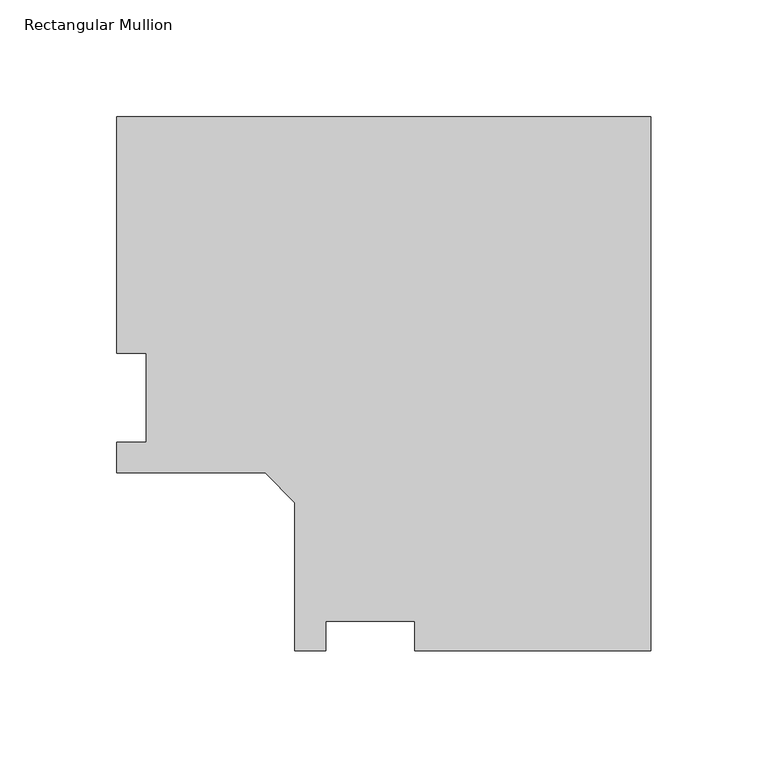
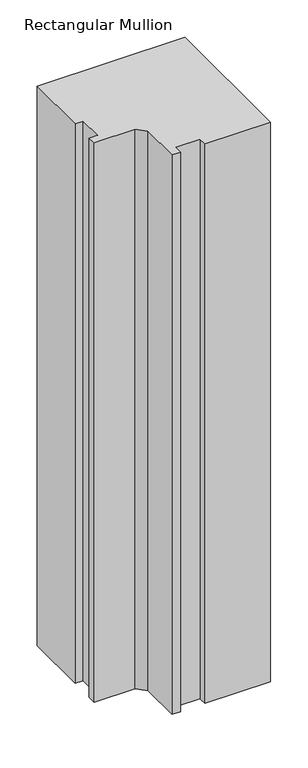
"""IFC4 building model written with IfcOpenShell, lengths in millimetres: member geometry, Rectangular Mullion."""

from ifc_helpers import new_model, si_unit, frame, origin, place, context, project, spatial, polyline, outline, extrude, source, transform, mapped, element, save


def rectangular_mullion_23215b9b(model_context):
    return source(origin(), model_context, "Body", "SweptSolid", [
        extrude(outline(polyline([(-228.6762, 152.4896938), (0.0, 152.4896937), (0.0, -76.1865062), (-101.1936, -76.1865062), (-101.1936, -63.4865063), (-139.2936, -63.4865063), (-139.2936, -76.1865062), (-152.4762, -76.1865062), (-152.4762, -12.6865062), (-165.1762, 0.0134938), (-228.6762, 0.0134938), (-228.6762, 13.1960938), (-215.9762, 13.1960938), (-215.9762, 51.2960937), (-228.6762, 51.2960937), (-228.6762, 152.4896938)])), frame((0.0, 0.0, -914.4), z_axis=(0.0, 0.0, 1.0), x_axis=(1.0, 0.0, 0.0)), (0.0, 0.0, 1.0), 914.4),
    ])


if __name__ == "__main__":
    model = new_model("IFC4")
    model_context = context("Model", 3, world=origin())
    ifc_project = project(units=[si_unit("LENGTHUNIT", "METRE", prefix="MILLI")], contexts=[model_context])
    site = spatial("IfcSite", under=ifc_project)
    building = spatial("IfcBuilding", under=site)
    placement = place(None, origin())
    rectangular_mullion_shape = rectangular_mullion_23215b9b(model_context)
    element("IfcMember", 1, ObjectType="Rectangular Mullion", at=placement, inside=building, context=model_context, shape_type="MappedRepresentation", body=[
        mapped(rectangular_mullion_shape, transform((0.0, 0.0, 0.0), x_axis=(1.0, 0.0, 0.0), y_axis=(0.0, 1.0, 0.0), z_axis=(0.0, 0.0, 1.0))),
    ])
    save(model, "model.ifc")
